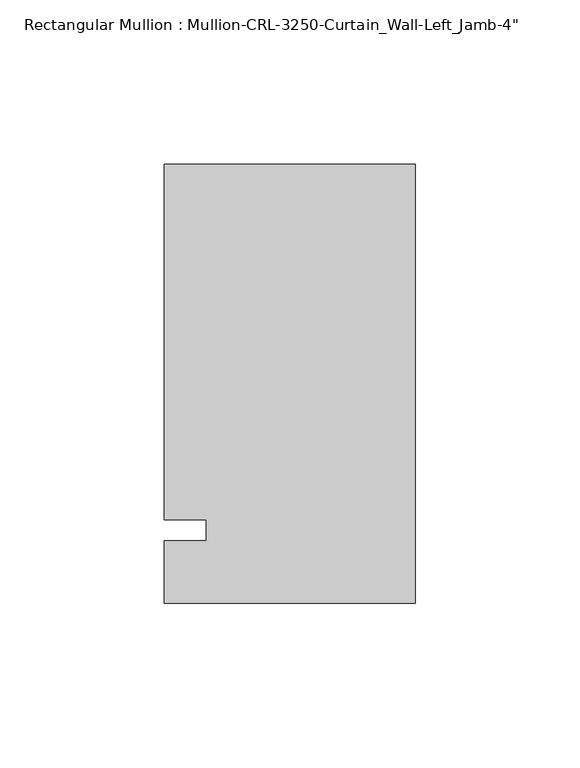
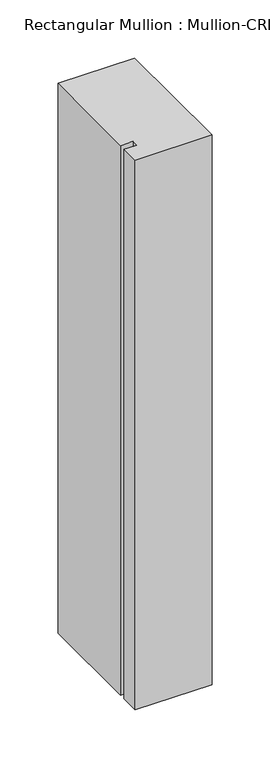
"""IFC4 building model written with IfcOpenShell, lengths in millimetres: member geometry."""

from ifc_helpers import new_model, si_unit, frame, origin, place, context, project, spatial, polyline, outline, extrude, source, transform, mapped, element, save


def member_7d8a2b0e(model_context):
    return source(origin(), model_context, "Body", "SweptSolid", [
        extrude(outline(polyline([(-76.199997, -3.175), (-63.499997, -3.175), (-63.499997, 3.175), (-76.199997, 3.175), (-76.199997, 111.1245832), (0.0, 111.1245832), (0.0, -22.2254168), (-76.199997, -22.2254168), (-76.199997, -3.175)])), frame((0.0, 0.0, -577.85), z_axis=(0.0, 0.0, 1.0), x_axis=(1.0, 0.0, 0.0)), (0.0, 0.0, 1.0), 577.85),
    ])


if __name__ == "__main__":
    model = new_model("IFC4")
    model_context = context("Model", 3, world=origin())
    ifc_project = project(units=[si_unit("LENGTHUNIT", "METRE", prefix="MILLI")], contexts=[model_context])
    site = spatial("IfcSite", under=ifc_project)
    building = spatial("IfcBuilding", under=site)
    placement = place(None, origin())
    member_shape = member_7d8a2b0e(model_context)
    element("IfcMember", 1, ObjectType="Rectangular Mullion : Mullion-CRL-3250-Curtain_Wall-Left_Jamb-4\"", at=placement, inside=building, context=model_context, shape_type="MappedRepresentation", body=[
        mapped(member_shape, transform((0.0, 0.0, 0.0), x_axis=(1.0, 0.0, 0.0), y_axis=(0.0, 1.0, 0.0), z_axis=(0.0, 0.0, 1.0))),
    ])
    save(model, "model.ifc")
